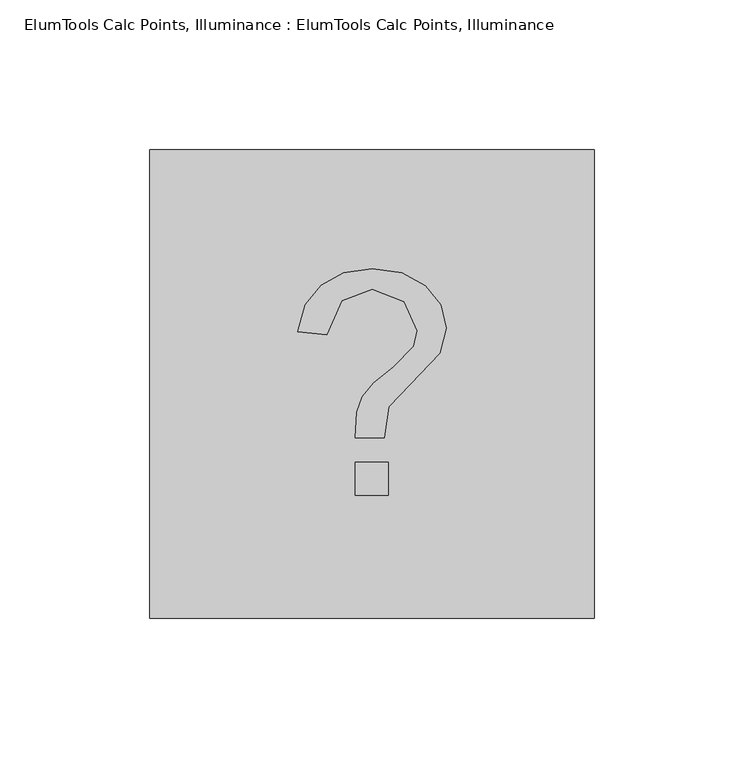
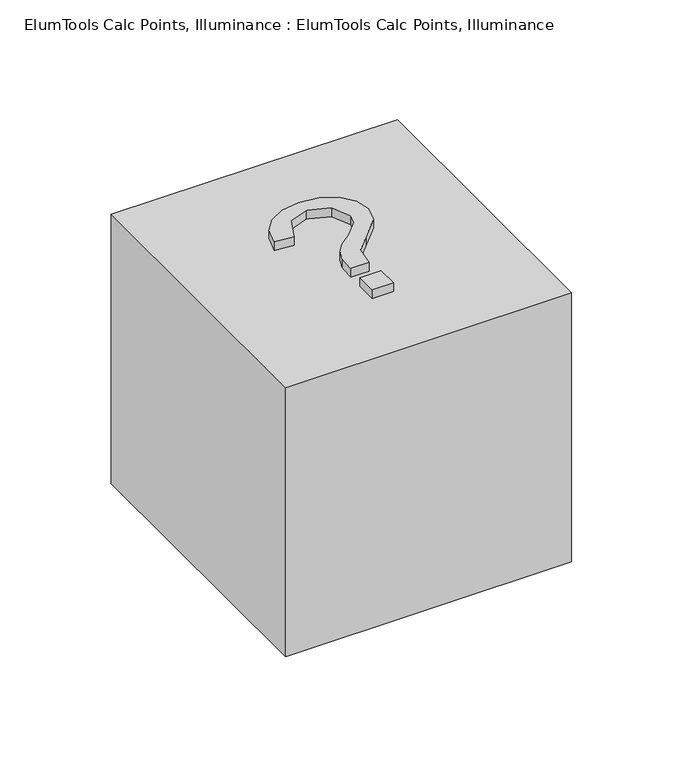
"""IFC4 building model written with IfcOpenShell, lengths in millimetres: proxy geometry, ElumTools Calc Points, Illuminance : ElumTools Calc Points, Illuminance."""

from ifc_helpers import new_model, si_unit, origin, origin_with_axes, place, context, project, spatial, polyline, outline, extrude, source, transform, mapped, element, save


def elumtools_calc_points_illuminance_elumtools_calc_points_76b11fc3(model_context):
    return source(origin(), model_context, "Body", "SweptSolid", [
        extrude(outline(polyline([(5.5094293, -37.188648), (-5.5094293, -37.188648), (-5.5094293, -26.1697893), (5.5094293, -26.1697893), (5.5094293, -37.188648)])), origin_with_axes(), (0.0, 0.0, 1.0), 152.4),
        extrude(outline(polyline([(-24.792432, 17.5182636), (-22.2367885, 26.4441847), (-16.9802334, 33.0780972), (-9.404768, 37.1940283), (0.107606, 38.5660053), (9.9454884, 37.1482957), (17.8518423, 32.8951669), (23.0572846, 26.4952976), (24.792432, 18.6373664), (22.7156354, 10.3086588), (12.8481614, -0.0215212), (5.573993, -7.7045926), (4.132072, -17.9056453), (-5.5094293, -17.9056453), (-5.0467234, -9.4478105), (-3.1636176, -4.2289174), (0.6133544, 0.4734666), (7.231126, 5.8322475), (13.9134612, 12.5791463), (15.1509307, 17.8410817), (10.792886, 27.5148649), (0.1936909, 31.6792187), (-10.0019816, 27.891486), (-15.1509307, 16.528288), (-24.792432, 17.5182636)])), origin_with_axes(), (0.0, 0.0, 1.0), 152.4),
        extrude(outline(polyline([(-74.377296, -78.4098), (-74.377296, 78.4098), (74.377296, 78.4098), (74.377296, -78.4098), (-74.377296, -78.4098)])), origin_with_axes(), (0.0, 0.0, 1.0), 147.828),
    ])


if __name__ == "__main__":
    model = new_model("IFC4")
    model_context = context("Model", 3, world=origin())
    ifc_project = project(units=[si_unit("LENGTHUNIT", "METRE", prefix="MILLI")], contexts=[model_context])
    site = spatial("IfcSite", under=ifc_project)
    building = spatial("IfcBuilding", under=site)
    placement = place(None, origin())
    elumtools_calc_points_illuminance_elumtools_calc_points_shape = elumtools_calc_points_illuminance_elumtools_calc_points_76b11fc3(model_context)
    element("IfcBuildingElementProxy", 1, Name="ElumTools Calc Points, Illuminance : ElumTools Calc Points, Illuminance", ObjectType="ElumTools Calc Points, Illuminance : ElumTools Calc Points, Illuminance", at=placement, inside=building, context=model_context, shape_type="MappedRepresentation", body=[
        mapped(elumtools_calc_points_illuminance_elumtools_calc_points_shape, transform((0.0, 0.0, 0.0), x_axis=(1.0, 0.0, 0.0), y_axis=(0.0, 1.0, 0.0), z_axis=(0.0, 0.0, 1.0))),
    ])
    save(model, "model.ifc")
